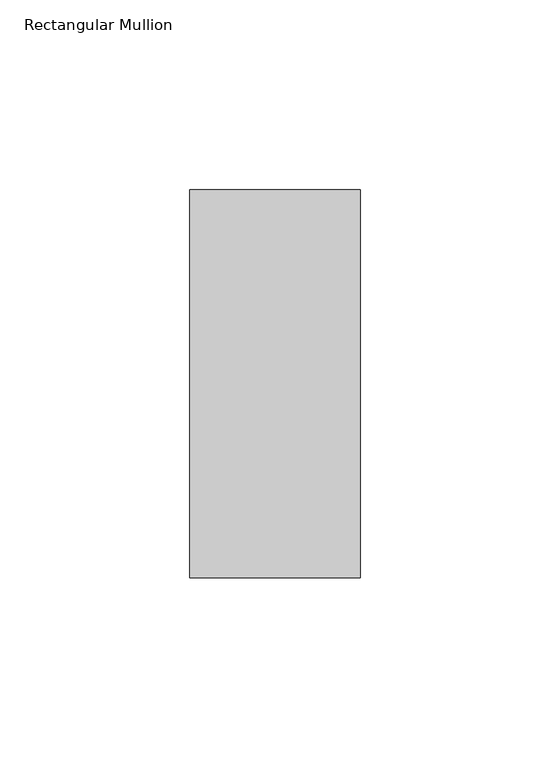
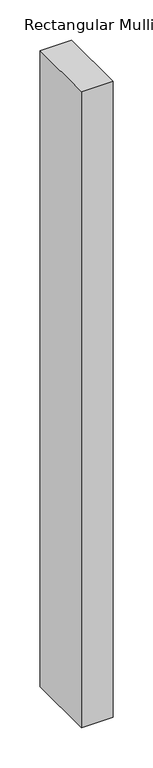
"""IFC4 building model written with IfcOpenShell, lengths in millimetres: member geometry, Rectangular Mullion."""

from ifc_helpers import new_model, si_unit, frame, origin, place, context, project, spatial, polyline, outline, extrude, source, transform, mapped, element, save


def rectangular_mullion_b464901f(model_context):
    return source(origin(), model_context, "Body", "SweptSolid", [
        extrude(outline(polyline([(0.0, 66.73125), (0.0, -35.73125), (-45.0, -35.73125), (-45.0, 66.73125), (0.0, 66.73125)])), frame((0.0, 0.0, -961.787254), z_axis=(0.0, 0.0, 1.0), x_axis=(1.0, 0.0, 0.0)), (0.0, 0.0, 1.0), 961.787254),
    ])


if __name__ == "__main__":
    model = new_model("IFC4")
    model_context = context("Model", 3, world=origin())
    ifc_project = project(units=[si_unit("LENGTHUNIT", "METRE", prefix="MILLI")], contexts=[model_context])
    site = spatial("IfcSite", under=ifc_project)
    building = spatial("IfcBuilding", under=site)
    placement = place(None, origin())
    rectangular_mullion_shape = rectangular_mullion_b464901f(model_context)
    element("IfcMember", 1, ObjectType="Rectangular Mullion", at=placement, inside=building, context=model_context, shape_type="MappedRepresentation", body=[
        mapped(rectangular_mullion_shape, transform((0.0, 0.0, 0.0), x_axis=(1.0, 0.0, 0.0), y_axis=(0.0, 1.0, 0.0), z_axis=(0.0, 0.0, 1.0))),
    ])
    save(model, "model.ifc")
